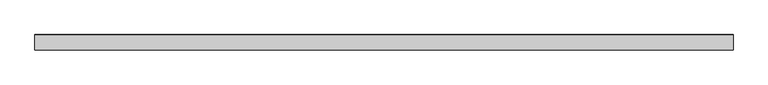
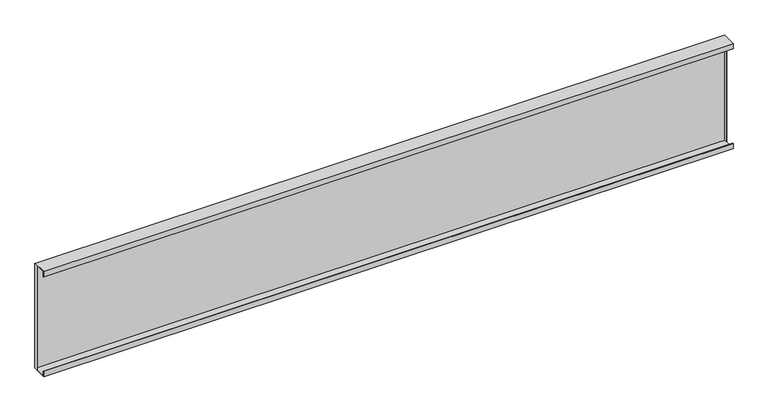
"""IFC4 building model written with IfcOpenShell, lengths in millimetres: plate geometry."""

from ifc_helpers import new_model, si_unit, frame, origin, place, context, project, spatial, polyline, outline, extrude, faceted_brep, source, transform, mapped, element, save


def plate_32f14c29(model_context):
    return source(origin(), model_context, "Body", "SolidModel", [
        faceted_brep([(-918.4249998, 39.2, 296.4), (-918.4249998, 30.0, 296.4), (-918.4249998, 30.0, 0.8), (-918.4249998, 39.2, 0.8), (-918.4249998, 39.2, 10.0), (-918.4249998, 40.0, 10.0), (-918.4249998, 40.0, 287.2), (-918.4249998, 39.2, 287.2), (-919.2249998, 30.0, 296.4), (-919.2249998, 30.0, 0.8), (-919.2249998, 38.8, 297.2), (-919.2249998, 40.0, 296.0), (-919.2249998, 40.0, 1.15), (-919.2249998, 38.85, 0.0), (-919.2249998, 0.0, 0.0), (-919.2249998, 0.0, 15.0), (-919.2249998, 0.8, 15.0), (-919.2249998, 0.8, 0.8), (-919.2249998, 0.8, 296.4), (-919.2249998, 0.8, 282.2), (-919.2249998, 0.0, 282.2), (-919.2249998, 0.0, 297.2), (919.2249998, 38.85, 0.0), (919.2249998, 0.0, 0.0), (918.4249998, 38.85, 0.0), (919.2249998, 40.0, 296.0), (919.2249998, 40.0, 1.15), (918.4249998, 40.0, 10.0), (918.4249998, 40.0, 287.2), (919.2249998, 0.0, 297.2), (919.2249998, 38.8, 297.2), (918.4249998, 38.8, 297.2), (919.2249998, 0.0, 282.2), (919.2249998, 0.8, 282.2), (919.2249998, 0.8, 296.4), (919.2249998, 30.0, 296.4), (919.2249998, 30.0, 0.8), (919.2249998, 0.8, 0.8), (919.2249998, 0.8, 15.0), (919.2249998, 0.0, 15.0), (918.4249998, 39.2, 296.4), (918.4249998, 30.0, 296.4), (918.4249998, 39.2, 287.2), (918.4249998, 30.0, 0.8), (918.4249998, 39.2, 0.8), (918.4249998, 39.2, 10.0)], [[[0, 1, 2, 3, 4, 5, 6, 7]], [[1, 8, 9, 2]], [[10, 11, 12, 13, 14, 15, 16, 17, 9, 8, 18, 19, 20, 21]], [[22, 23, 14, 13, 24]], [[12, 11, 25, 26], [5, 27, 28, 6]], [[21, 29, 30, 31, 10]], [[26, 25, 30, 29, 32, 33, 34, 35, 36, 37, 38, 39, 23, 22]], [[32, 29, 21, 20]], [[33, 32, 20, 19]], [[34, 33, 19, 18]], [[34, 18, 8, 1, 0, 40, 41, 35]], [[0, 7, 42, 40]], [[7, 6, 28, 42]], [[23, 39, 15, 14]], [[39, 38, 16, 15]], [[38, 37, 17, 16]], [[17, 37, 36, 43, 44, 3, 2, 9]], [[4, 3, 44, 45]], [[5, 4, 45, 27]], [[13, 12, 26, 22, 24]], [[25, 11, 10, 31, 30]], [[28, 27, 45, 44, 43, 41, 40, 42]], [[36, 35, 41, 43]]]),
        extrude(outline(polyline([(918.4249998, 38.0), (-918.4249998, 38.0), (-918.4249998, 39.5), (918.4249998, 39.5), (918.4249998, 38.0)])), frame((0.0, 0.0, 0.8), z_axis=(0.0, 0.0, 1.0), x_axis=(1.0, 0.0, 0.0)), (0.0, 0.0, 1.0), 295.6),
        extrude(outline(polyline([(918.4249998, 39.2), (-918.4249998, 39.2), (-918.4249998, 40.0), (918.4249998, 40.0), (918.4249998, 39.2)])), frame((0.0, 0.0, 10.0), z_axis=(0.0, 0.0, 1.0), x_axis=(1.0, 0.0, 0.0)), (0.0, 0.0, 1.0), 277.2),
    ])


if __name__ == "__main__":
    model = new_model("IFC4")
    model_context = context("Model", 3, world=origin())
    ifc_project = project(units=[si_unit("LENGTHUNIT", "METRE", prefix="MILLI")], contexts=[model_context])
    site = spatial("IfcSite", under=ifc_project)
    building = spatial("IfcBuilding", under=site)
    placement = place(None, origin())
    plate_shape = plate_32f14c29(model_context)
    element("IfcPlate", 1, at=placement, inside=building, context=model_context, shape_type="MappedRepresentation", body=[
        mapped(plate_shape, transform((0.0, 0.0, 0.0), x_axis=(1.0, 0.0, 0.0), y_axis=(0.0, 1.0, 0.0), z_axis=(0.0, 0.0, 1.0))),
    ])
    save(model, "model.ifc")
